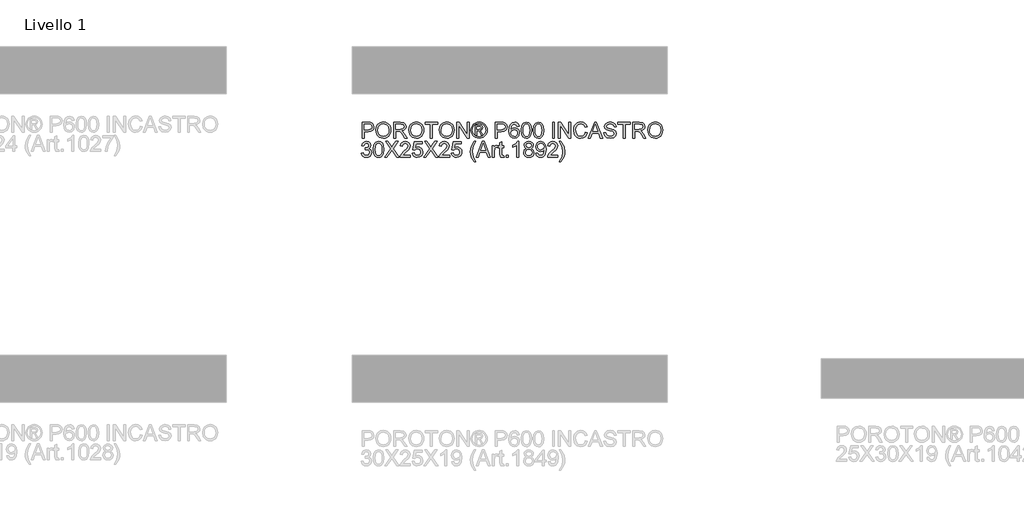
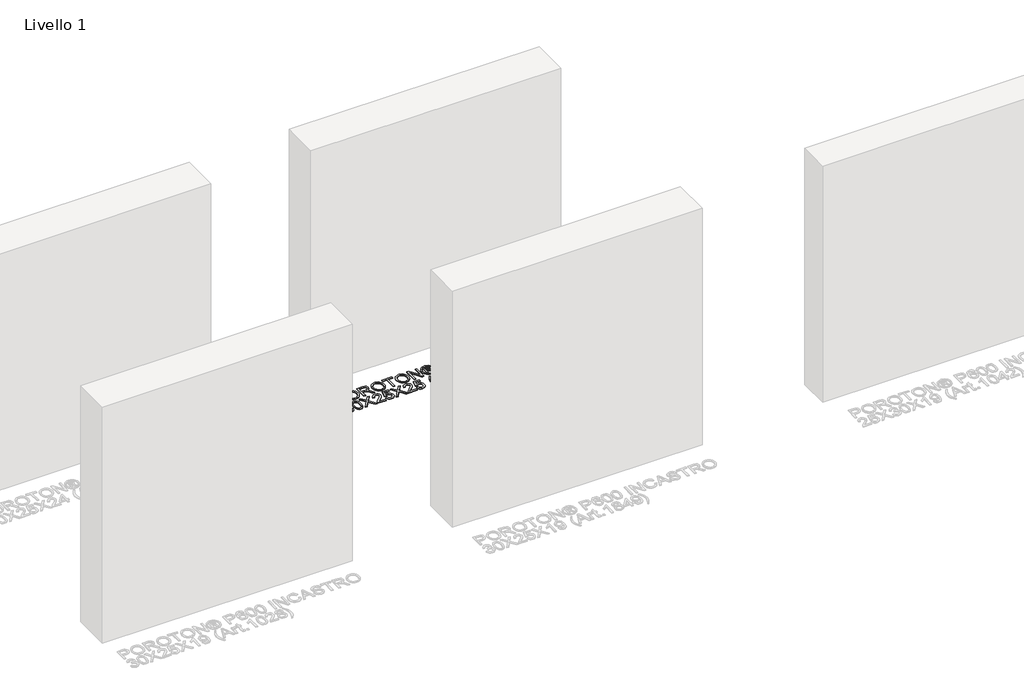
# One storey, part 7 of 11: 1 proxy.
"""IFC4 building model written with IfcOpenShell, lengths in millimetres."""

from ifc_helpers import new_model, si_unit, origin, origin_with_axes, place, context, project, spatial, polyline, outline, extrude, element, save

model = new_model("IFC4")

# Units and contexts
model_context = context("Model", 3, world=origin())
ifc_project = project(units=[si_unit("LENGTHUNIT", "METRE", prefix="MILLI")], contexts=[model_context])

# Site, building, storey
site = spatial("IfcSite", under=ifc_project)
building = spatial("IfcBuilding", under=site)
storey = spatial("IfcBuildingStorey", under=building, Name="Livello 1", Elevation=0.0)

# Proxy
placement = place(None, origin())
element("IfcBuildingElementProxy", 1, Name="100", ObjectType="100", at=placement, inside=storey, context=model_context, shape_type="SweptSolid", body=[
    extrude(outline(polyline([(-2222.4815346, 4403.2318777), (-2222.4815346, 4503.6881878), (-2185.2518767, 4503.6881878), (-2170.2422913, 4502.7316947), (-2158.0408718, 4498.0350679), (-2150.1314089, 4488.3229832), (-2147.139302, 4474.6255102), (-2149.1595873, 4462.7858414), (-2155.2204432, 4452.9204725), (-2166.5542743, 4446.2618084), (-2184.3934854, 4444.0422537), (-2209.9244958, 4444.0422537), (-2209.9244958, 4403.2318777), (-2222.4815346, 4403.2318777)]), holes=[polyline([(-2209.9244958, 4456.5992925), (-2183.6577214, 4456.5992925), (-2165.1655198, 4461.2100801), (-2161.0636355, 4466.7589669), (-2159.6963408, 4474.1840518), (-2162.9214396, 4484.5828496), (-2171.3949882, 4490.2727578), (-2183.952027, 4491.1311491), (-2209.9244958, 4491.1311491), (-2209.9244958, 4456.5992925)])]), origin_with_axes(), (0.0, 0.0, 1.0), 5.0),
    extrude(outline(polyline([(-2134.5822632, 4452.1356576), (-2131.2345371, 4474.3495987), (-2121.1913586, 4491.1556745), (-2105.8568108, 4501.7322819), (-2086.6349765, 4505.2578177), (-2073.4586697, 4503.6023487), (-2061.6435263, 4498.6359418), (-2051.8333398, 4490.7080848), (-2044.6719036, 4480.1682656), (-2040.2941079, 4467.5253877), (-2038.8348426, 4453.2883545), (-2040.3707499, 4438.8612489), (-2044.9784719, 4426.0405614), (-2052.4035569, 4415.4823481), (-2062.391553, 4407.8426654), (-2074.1055289, 4403.2073522), (-2086.7085529, 4401.6622479), (-2100.0871948, 4403.3698334), (-2111.9697833, 4408.4925902), (-2121.7554443, 4416.5676), (-2128.8433041, 4427.1319447), (-2134.5822632, 4452.1356576)]), holes=[polyline([(-2122.0252245, 4452.0130303), (-2119.5144298, 4436.2983377), (-2111.982046, 4424.3237788), (-2100.6604776, 4416.7454097), (-2086.7821293, 4414.2192866), (-2072.701446, 4416.7699351), (-2061.3614835, 4424.4218806), (-2053.8842819, 4436.7643216), (-2051.3918814, 4453.3864564), (-2055.6593125, 4474.1104754), (-2068.1305122, 4487.8324739), (-2086.5614001, 4492.7007789), (-2100.0688007, 4490.3555312), (-2111.5528503, 4483.3197881), (-2119.4071309, 4470.8026032), (-2122.0252245, 4452.0130303)])]), origin_with_axes(), (0.0, 0.0, 1.0), 5.0),
    extrude(outline(polyline([(-2021.5689143, 4403.2318777), (-2021.5689143, 4503.6881878), (-1978.2814662, 4503.6881878), (-1958.1828465, 4500.9781238), (-1947.1954376, 4491.3886665), (-1943.087422, 4476.1951401), (-1944.7888762, 4466.2991144), (-1949.8932389, 4458.0953459), (-1958.5537942, 4452.0804753), (-1970.9238263, 4448.7511432), (-1963.7869156, 4443.3800661), (-1953.6088471, 4430.4551453), (-1936.8579536, 4403.2318777), (-1951.450606, 4403.2318777), (-1964.5226796, 4424.0539986), (-1973.9649841, 4437.8373107), (-1980.5991228, 4444.348822), (-1986.5710738, 4446.740055), (-1993.8551373, 4447.1815134), (-2009.0118755, 4447.1815134), (-2009.0118755, 4403.2318777), (-2021.5689143, 4403.2318777)]), holes=[polyline([(-2009.0118755, 4459.7385522), (-1980.9056911, 4459.7385522), (-1966.570556, 4461.5166485), (-1958.4281012, 4467.2065567), (-1955.6444608, 4475.7291562), (-1960.9542242, 4486.7901415), (-1977.7419059, 4491.1311491), (-2009.0118755, 4491.1311491), (-2009.0118755, 4459.7385522)])]), origin_with_axes(), (0.0, 0.0, 1.0), 5.0),
    extrude(outline(polyline([(-1925.8214937, 4452.1356576), (-1922.4737675, 4474.3495987), (-1912.4305891, 4491.1556745), (-1897.0960412, 4501.7322819), (-1877.874207, 4505.2578177), (-1864.6979002, 4503.6023487), (-1852.8827568, 4498.6359418), (-1843.0725702, 4490.7080848), (-1835.9111341, 4480.1682656), (-1831.5333383, 4467.5253877), (-1830.0740731, 4453.2883545), (-1831.6099804, 4438.8612489), (-1836.2177024, 4426.0405614), (-1843.6427873, 4415.4823481), (-1853.6307835, 4407.8426654), (-1865.3447594, 4403.2073522), (-1877.9477834, 4401.6622479), (-1891.3264253, 4403.3698334), (-1903.2090137, 4408.4925902), (-1912.9946748, 4416.5676), (-1920.0825346, 4427.1319447), (-1925.8214937, 4452.1356576)]), holes=[polyline([(-1913.2644549, 4452.0130303), (-1910.7536603, 4436.2983377), (-1903.2212765, 4424.3237788), (-1891.8997081, 4416.7454097), (-1878.0213598, 4414.2192866), (-1863.9406764, 4416.7699351), (-1852.6007139, 4424.4218806), (-1845.1235124, 4436.7643216), (-1842.6311119, 4453.3864564), (-1846.898543, 4474.1104754), (-1859.3697426, 4487.8324739), (-1877.8006306, 4492.7007789), (-1891.3080312, 4490.3555312), (-1902.7920808, 4483.3197881), (-1910.6463614, 4470.8026032), (-1913.2644549, 4452.0130303)])]), origin_with_axes(), (0.0, 0.0, 1.0), 5.0),
    extrude(outline(polyline([(-1787.6940672, 4403.2318777), (-1787.6940672, 4491.1311491), (-1820.656294, 4491.1311491), (-1820.656294, 4503.6881878), (-1742.1748017, 4503.6881878), (-1742.1748017, 4491.1311491), (-1775.1370285, 4491.1311491), (-1775.1370285, 4403.2318777), (-1787.6940672, 4403.2318777)])), origin_with_axes(), (0.0, 0.0, 1.0), 5.0),
    extrude(outline(polyline([(-1732.7570226, 4452.1356576), (-1729.4092965, 4474.3495987), (-1719.366118, 4491.1556745), (-1704.0315702, 4501.7322819), (-1684.8097359, 4505.2578177), (-1671.6334291, 4503.6023487), (-1659.8182857, 4498.6359418), (-1650.0080992, 4490.7080848), (-1642.846663, 4480.1682656), (-1638.4688673, 4467.5253877), (-1637.009602, 4453.2883545), (-1638.5455093, 4438.8612489), (-1643.1532313, 4426.0405614), (-1650.5783163, 4415.4823481), (-1660.5663124, 4407.8426654), (-1672.2802883, 4403.2073522), (-1684.8833123, 4401.6622479), (-1698.2619542, 4403.3698334), (-1710.1445427, 4408.4925902), (-1719.9302037, 4416.5676), (-1727.0180635, 4427.1319447), (-1732.7570226, 4452.1356576)]), holes=[polyline([(-1720.1999839, 4452.0130303), (-1717.6891892, 4436.2983377), (-1710.1568054, 4424.3237788), (-1698.835237, 4416.7454097), (-1684.9568887, 4414.2192866), (-1670.8762054, 4416.7699351), (-1659.5362429, 4424.4218806), (-1652.0590413, 4436.7643216), (-1649.5666408, 4453.3864564), (-1653.8340719, 4474.1104754), (-1666.3052716, 4487.8324739), (-1684.7361595, 4492.7007789), (-1698.2435601, 4490.3555312), (-1709.7276097, 4483.3197881), (-1717.5818903, 4470.8026032), (-1720.1999839, 4452.0130303)])]), origin_with_axes(), (0.0, 0.0, 1.0), 5.0),
    extrude(outline(polyline([(-1619.7436737, 4403.2318777), (-1619.7436737, 4503.6881878), (-1606.3037182, 4503.6881878), (-1553.8192202, 4424.1030496), (-1553.8192202, 4503.6881878), (-1541.2621814, 4503.6881878), (-1541.2621814, 4403.2318777), (-1554.702137, 4403.2318777), (-1607.1866349, 4482.8415415), (-1607.1866349, 4403.2318777), (-1619.7436737, 4403.2318777)])), origin_with_axes(), (0.0, 0.0, 1.0), 5.0),
    extrude(outline(polyline([(-1478.4524621, 4505.2578177), (-1465.5581982, 4503.5839546), (-1452.9705026, 4498.5623654), (-1441.9125829, 4490.4260419), (-1433.6076469, 4479.4079762), (-1428.4113137, 4466.6853905), (-1426.6792026, 4453.4355073), (-1428.3867882, 4440.3021201), (-1433.509545, 4427.6837676), (-1441.7133135, 4416.7055558), (-1452.6639342, 4408.4925902), (-1465.2730896, 4403.3698334), (-1478.4524621, 4401.6622479), (-1491.6134405, 4403.3698334), (-1504.2164645, 4408.4925902), (-1515.1762823, 4416.7055558), (-1523.4076419, 4427.6837676), (-1528.5579898, 4440.3021201), (-1530.2747725, 4453.4355073), (-1528.5334644, 4466.6853905), (-1523.30954, 4479.4079762), (-1514.9770128, 4490.4260419), (-1503.9098962, 4498.5623654), (-1491.3283319, 4503.5839546), (-1478.4524621, 4505.2578177)]), holes=[polyline([(-1478.4524621, 4495.8400386), (-1499.274583, 4490.3585969), (-1508.3030203, 4483.6968671), (-1515.130297, 4474.6745612), (-1520.8569934, 4453.4355073), (-1515.2406616, 4432.3803945), (-1499.5198377, 4416.6963587), (-1478.4524621, 4411.0800269), (-1457.3728238, 4416.6963587), (-1441.688788, 4432.3803945), (-1436.0969817, 4453.4355073), (-1441.7868899, 4474.6745612), (-1448.5957725, 4483.6968671), (-1457.6426039, 4490.3585969), (-1478.4524621, 4495.8400386)])]), origin_with_axes(), (0.0, 0.0, 1.0), 5.0),
    extrude(outline(polyline([(-1502.0214353, 4422.0674359), (-1502.0214353, 4484.8526297), (-1481.7388746, 4484.8526297), (-1466.6802382, 4483.1235843), (-1459.2612847, 4477.0903196), (-1456.5021697, 4467.9300579), (-1461.2601102, 4456.0106813), (-1473.8661999, 4450.3207731), (-1468.9611066, 4446.9853097), (-1460.4017189, 4434.4527964), (-1453.36291, 4422.0674359), (-1463.9579115, 4422.0674359), (-1469.4761414, 4432.0247752), (-1478.7222422, 4446.4457494), (-1486.7420697, 4448.7511432), (-1492.6036562, 4448.7511432), (-1492.6036562, 4422.0674359), (-1502.0214353, 4422.0674359)]), holes=[polyline([(-1492.6036562, 4458.1689223), (-1480.6842795, 4458.1689223), (-1469.034683, 4460.5601553), (-1465.9199488, 4466.8999883), (-1467.4160022, 4471.4617251), (-1471.5730688, 4474.453832), (-1481.444569, 4475.4348506), (-1492.6036562, 4475.4348506), (-1492.6036562, 4458.1689223)])]), origin_with_axes(), (0.0, 0.0, 1.0), 5.0),
    extrude(outline(polyline([(-1376.4510476, 4403.2318777), (-1376.4510476, 4503.6881878), (-1339.2213897, 4503.6881878), (-1324.2118042, 4502.7316947), (-1312.0103847, 4498.0350679), (-1304.1009218, 4488.3229832), (-1301.108815, 4474.6255102), (-1303.1291002, 4462.7858414), (-1309.1899561, 4452.9204725), (-1320.5237872, 4446.2618084), (-1338.3629983, 4444.0422537), (-1363.8940088, 4444.0422537), (-1363.8940088, 4403.2318777), (-1376.4510476, 4403.2318777)]), holes=[polyline([(-1363.8940088, 4456.5992925), (-1337.6272343, 4456.5992925), (-1319.1350327, 4461.2100801), (-1315.0331485, 4466.7589669), (-1313.6658537, 4474.1840518), (-1316.8909525, 4484.5828496), (-1325.3645012, 4490.2727578), (-1337.9215399, 4491.1311491), (-1363.8940088, 4491.1311491), (-1363.8940088, 4456.5992925)])]), origin_with_axes(), (0.0, 0.0, 1.0), 5.0),
    extrude(outline(polyline([(-1224.1969525, 4477.0044805), (-1236.7539913, 4475.4348506), (-1241.5119317, 4485.9072247), (-1254.093496, 4491.1311491), (-1265.4242614, 4488.0899913), (-1273.9959119, 4476.6733867), (-1277.5643673, 4454.2938986), (-1266.4911192, 4464.3125516), (-1252.7691208, 4467.5867014), (-1241.1685752, 4465.3487526), (-1231.4319651, 4458.6349062), (-1224.8284833, 4448.3771299), (-1222.6273226, 4435.5073914), (-1226.7721265, 4418.1801494), (-1238.1764683, 4405.9174163), (-1254.6330562, 4401.6622479), (-1268.8792865, 4404.4826765), (-1280.2253804, 4412.9439624), (-1287.6473996, 4427.8799714), (-1290.121406, 4450.1245694), (-1287.3745538, 4475.1344137), (-1279.1339971, 4492.2347951), (-1267.8829394, 4500.8248397), (-1253.308681, 4503.6881878), (-1242.2906153, 4501.9162229), (-1233.4675788, 4496.6003281), (-1227.2871613, 4488.1574363), (-1224.1969525, 4477.0044805)]), holes=[polyline([(-1277.5643673, 4435.7035951), (-1274.6580995, 4424.8265508), (-1266.9325776, 4416.9293507), (-1255.6140749, 4414.2192866), (-1247.3275329, 4415.6233696), (-1240.8129559, 4419.8356184), (-1236.59151, 4426.4574943), (-1235.1843614, 4435.0904585), (-1236.5731159, 4443.3770004), (-1240.7393795, 4449.6953737), (-1247.3643211, 4453.6960904), (-1256.1291097, 4455.0296626), (-1271.3226361, 4449.6953737), (-1276.0039345, 4443.5302846), (-1277.5643673, 4435.7035951)])]), origin_with_axes(), (0.0, 0.0, 1.0), 5.0),
    extrude(outline(polyline([(-1211.6399137, 4452.6506924), (-1207.948831, 4481.5539545), (-1196.9859476, 4498.2190089), (-1178.677687, 4503.6881878), (-1164.0114581, 4500.4508263), (-1153.8824405, 4491.1188863), (-1147.9963286, 4476.2564537), (-1145.7154602, 4452.6506924), (-1149.3697547, 4423.8700576), (-1160.2958499, 4407.168215), (-1168.5272096, 4403.0387397), (-1178.677687, 4401.6622479), (-1191.7252351, 4404.0534808), (-1201.6335235, 4411.2271797), (-1209.1383162, 4428.2171965), (-1211.6399137, 4452.6506924)]), holes=[polyline([(-1199.082875, 4452.6752179), (-1197.611347, 4432.9230204), (-1193.196763, 4421.4910874), (-1186.6239381, 4416.0372368), (-1178.677687, 4414.2192866), (-1170.7314359, 4416.0433682), (-1164.1586109, 4421.5156129), (-1159.7440269, 4432.9536772), (-1158.272499, 4452.6752179), (-1159.694976, 4471.9828912), (-1163.9624072, 4483.503729), (-1170.5229694, 4489.2242941), (-1178.8248398, 4491.1311491), (-1186.6852517, 4489.4511546), (-1193.0005593, 4484.4111713), (-1197.562296, 4472.1729636), (-1199.082875, 4452.6752179)])]), origin_with_axes(), (0.0, 0.0, 1.0), 5.0),
    extrude(outline(polyline([(-1134.7280513, 4452.6506924), (-1131.0369686, 4481.5539545), (-1120.0740851, 4498.2190089), (-1101.7658245, 4503.6881878), (-1087.0995956, 4500.4508263), (-1076.970578, 4491.1188863), (-1071.0844661, 4476.2564537), (-1068.8035977, 4452.6506924), (-1072.4578922, 4423.8700576), (-1083.3839875, 4407.168215), (-1091.6153471, 4403.0387397), (-1101.7658245, 4401.6622479), (-1114.8133726, 4404.0534808), (-1124.721661, 4411.2271797), (-1132.2264537, 4428.2171965), (-1134.7280513, 4452.6506924)]), holes=[polyline([(-1122.1710125, 4452.6752179), (-1120.6994845, 4432.9230204), (-1116.2849006, 4421.4910874), (-1109.7120756, 4416.0372368), (-1101.7658245, 4414.2192866), (-1093.8195734, 4416.0433682), (-1087.2467484, 4421.5156129), (-1082.8321645, 4432.9536772), (-1081.3606365, 4452.6752179), (-1082.7831135, 4471.9828912), (-1087.0505447, 4483.503729), (-1093.6111069, 4489.2242941), (-1101.9129773, 4491.1311491), (-1109.7733893, 4489.4511546), (-1116.0886968, 4484.4111713), (-1120.6504336, 4472.1729636), (-1122.1710125, 4452.6752179)])]), origin_with_axes(), (0.0, 0.0, 1.0), 5.0),
    extrude(outline(polyline([(-1012.2969233, 4403.2318777), (-1012.2969233, 4503.6881878), (-999.7398845, 4503.6881878), (-999.7398845, 4403.2318777), (-1012.2969233, 4403.2318777)])), origin_with_axes(), (0.0, 0.0, 1.0), 5.0),
    extrude(outline(polyline([(-974.625807, 4403.2318777), (-974.625807, 4503.6881878), (-961.1858514, 4503.6881878), (-908.7013534, 4424.1030496), (-908.7013534, 4503.6881878), (-896.1443147, 4503.6881878), (-896.1443147, 4403.2318777), (-909.5842702, 4403.2318777), (-962.0687682, 4482.8415415), (-962.0687682, 4403.2318777), (-974.625807, 4403.2318777)])), origin_with_axes(), (0.0, 0.0, 1.0), 5.0),
    extrude(outline(polyline([(-803.5361537, 4438.9409567), (-790.979115, 4435.7035951), (-796.7732564, 4421.0710888), (-805.866073, 4410.3810511), (-817.8099752, 4403.8419487), (-832.157373, 4401.6622479), (-846.7224343, 4403.3115855), (-858.2892574, 4408.2595983), (-867.1552134, 4416.3346081), (-873.6176738, 4427.3649366), (-878.8783864, 4454.2203222), (-877.39153, 4468.868157), (-872.9309608, 4481.5171663), (-865.7296707, 4491.7657455), (-856.0206517, 4499.2122902), (-844.5059453, 4503.7464358), (-831.8875928, 4505.2578177), (-818.1196092, 4503.3019118), (-806.7367271, 4497.4341939), (-798.0945659, 4488.0164149), (-792.5487448, 4475.4103252), (-805.1057836, 4472.4182183), (-815.4064795, 4487.8569993), (-832.3781022, 4492.7007789), (-852.0230007, 4487.3297018), (-863.1207742, 4472.9087276), (-866.3213476, 4454.2448477), (-862.532163, 4432.6133864), (-850.7354137, 4418.7932861), (-833.4081718, 4414.2192866), (-822.9266006, 4415.7766537), (-814.1924689, 4420.4487551), (-807.5981841, 4428.1865397), (-803.5361537, 4438.9409567)])), origin_with_axes(), (0.0, 0.0, 1.0), 5.0),
    extrude(outline(polyline([(-785.4118341, 4403.2318777), (-745.3126966, 4503.6881878), (-734.6195933, 4503.6881878), (-694.5204558, 4403.2318777), (-707.7887331, 4403.2318777), (-719.2911768, 4434.6244746), (-760.6656386, 4434.6244746), (-772.1435568, 4403.2318777), (-785.4118341, 4403.2318777)]), holes=[polyline([(-756.0548509, 4447.1815134), (-723.8774391, 4447.1815134), (-732.9273361, 4471.878658), (-739.966145, 4491.1311491), (-746.2201389, 4474.036899), (-756.0548509, 4447.1815134)])]), origin_with_axes(), (0.0, 0.0, 1.0), 5.0),
    extrude(outline(polyline([(-685.8139153, 4437.7637343), (-673.2568765, 4437.7637343), (-669.2101746, 4425.1944328), (-659.3264116, 4417.2481817), (-644.2677753, 4414.2192866), (-631.1466508, 4416.5124177), (-622.6731022, 4422.8154626), (-619.8894618, 4431.2399603), (-621.9741264, 4439.0758468), (-630.5089887, 4444.7780177), (-648.7927238, 4449.5727464), (-668.4744106, 4455.7654266), (-679.1552512, 4465.1096293), (-682.6746556, 4477.5930917), (-678.3213853, 4491.8055994), (-665.604931, 4501.8365151), (-646.9901021, 4505.2578177), (-627.1244743, 4501.6770996), (-613.8807225, 4491.1556745), (-608.9020528, 4475.4348506), (-621.4590916, 4475.4348506), (-623.7644854, 4482.9273806), (-628.5714768, 4488.3352459), (-646.4995927, 4492.7007789), (-664.4767596, 4488.3842969), (-670.1176168, 4477.9609737), (-666.1199658, 4469.2544331), (-645.6166759, 4462.2401497), (-623.3966034, 4455.9371049), (-611.2442349, 4445.7590363), (-607.332423, 4431.5587913), (-611.8328461, 4416.5369432), (-624.7822923, 4405.5740597), (-643.777266, 4401.6622479), (-666.2058049, 4405.8806281), (-680.3937872, 4418.5848196), (-685.8139153, 4437.7637343)])), origin_with_axes(), (0.0, 0.0, 1.0), 5.0),
    extrude(outline(polyline([(-563.3827873, 4403.2318777), (-563.3827873, 4491.1311491), (-596.3450141, 4491.1311491), (-596.3450141, 4503.6881878), (-517.8635218, 4503.6881878), (-517.8635218, 4491.1311491), (-550.8257485, 4491.1311491), (-550.8257485, 4403.2318777), (-563.3827873, 4403.2318777)])), origin_with_axes(), (0.0, 0.0, 1.0), 5.0),
    extrude(outline(polyline([(-503.7368531, 4403.2318777), (-503.7368531, 4503.6881878), (-460.449405, 4503.6881878), (-440.3507854, 4500.9781238), (-429.3633764, 4491.3886665), (-425.2553608, 4476.1951401), (-426.9568151, 4466.2991144), (-432.0611777, 4458.0953459), (-440.721733, 4452.0804753), (-453.0917651, 4448.7511432), (-445.9548544, 4443.3800661), (-435.7767859, 4430.4551453), (-419.0258924, 4403.2318777), (-433.6185449, 4403.2318777), (-446.6906184, 4424.0539986), (-456.132923, 4437.8373107), (-462.7670616, 4444.348822), (-468.7390127, 4446.740055), (-476.0230762, 4447.1815134), (-491.1798144, 4447.1815134), (-491.1798144, 4403.2318777), (-503.7368531, 4403.2318777)]), holes=[polyline([(-491.1798144, 4459.7385522), (-463.0736299, 4459.7385522), (-448.7384949, 4461.5166485), (-440.59604, 4467.2065567), (-437.8123996, 4475.7291562), (-443.1221631, 4486.7901415), (-459.9098448, 4491.1311491), (-491.1798144, 4491.1311491), (-491.1798144, 4459.7385522)])]), origin_with_axes(), (0.0, 0.0, 1.0), 5.0),
    extrude(outline(polyline([(-407.9894325, 4452.1356576), (-404.6417064, 4474.3495987), (-394.5985279, 4491.1556745), (-379.2639801, 4501.7322819), (-360.0421458, 4505.2578177), (-346.865839, 4503.6023487), (-335.0506956, 4498.6359418), (-325.2405091, 4490.7080848), (-318.0790729, 4480.1682656), (-313.7012772, 4467.5253877), (-312.2420119, 4453.2883545), (-313.7779192, 4438.8612489), (-318.3856412, 4426.0405614), (-325.8107262, 4415.4823481), (-335.7987223, 4407.8426654), (-347.5126982, 4403.2073522), (-360.1157222, 4401.6622479), (-373.4943641, 4403.3698334), (-385.3769526, 4408.4925902), (-395.1626136, 4416.5676), (-402.2504734, 4427.1319447), (-407.9894325, 4452.1356576)]), holes=[polyline([(-395.4323938, 4452.0130303), (-392.9215991, 4436.2983377), (-385.3892153, 4424.3237788), (-374.0676469, 4416.7454097), (-360.1892986, 4414.2192866), (-346.1086153, 4416.7699351), (-334.7686528, 4424.4218806), (-327.2914512, 4436.7643216), (-324.7990507, 4453.3864564), (-329.0664818, 4474.1104754), (-341.5376815, 4487.8324739), (-359.9685694, 4492.7007789), (-373.47597, 4490.3555312), (-384.9600196, 4483.3197881), (-392.8143002, 4470.8026032), (-395.4323938, 4452.0130303)])]), origin_with_axes(), (0.0, 0.0, 1.0), 5.0),
    extrude(outline(polyline([(-2227.1904241, 4307.9407672), (-2214.6333854, 4309.5103971), (-2207.7049411, 4296.2911707), (-2194.7432322, 4292.2444688), (-2186.1347935, 4293.636289), (-2179.4883921, 4297.8117496), (-2173.8230094, 4311.5950617), (-2179.4393412, 4324.5812962), (-2193.7131626, 4329.7193814), (-2202.517805, 4328.3459552), (-2201.1198534, 4340.902994), (-2199.1087652, 4340.7558412), (-2184.8594692, 4344.3610848), (-2180.1137915, 4348.9350842), (-2178.5318989, 4355.4465955), (-2183.1181611, 4365.2690448), (-2194.9394359, 4369.1563312), (-2206.9078635, 4365.2322566), (-2213.0637555, 4353.4600328), (-2225.6207943, 4355.0296626), (-2221.9235802, 4366.3052458), (-2215.3446239, 4374.7236121), (-2206.3437778, 4379.9659305), (-2195.3808943, 4381.71337), (-2180.2364188, 4378.267542), (-2169.6414174, 4368.8497629), (-2165.9748601, 4356.1823595), (-2169.4574764, 4344.6063394), (-2179.7581722, 4336.2922063), (-2166.072962, 4327.7082931), (-2161.2659706, 4311.3743325), (-2163.6694663, 4299.1361248), (-2170.8799534, 4288.9090054), (-2181.7631291, 4281.9928238), (-2195.1846906, 4279.68743), (-2207.3247964, 4281.6555987), (-2217.2085593, 4287.5601047), (-2224.0818213, 4296.5916077), (-2227.1904241, 4307.9407672)])), origin_with_axes(), (0.0, 0.0, 1.0), 5.0),
    extrude(outline(polyline([(-2150.2785617, 4330.6758745), (-2146.587479, 4359.5791366), (-2135.6245955, 4376.244191), (-2117.3163349, 4381.71337), (-2102.650106, 4378.4760084), (-2092.5210884, 4369.1440685), (-2086.6349765, 4354.2816359), (-2084.3541082, 4330.6758745), (-2088.0084026, 4301.8952398), (-2098.9344979, 4285.1933972), (-2107.1658575, 4281.0639218), (-2117.3163349, 4279.68743), (-2130.363883, 4282.078663), (-2140.2721714, 4289.2523619), (-2147.7769641, 4306.2423787), (-2150.2785617, 4330.6758745)]), holes=[polyline([(-2137.7215229, 4330.7004), (-2136.2499949, 4310.9482025), (-2131.835411, 4299.5162695), (-2125.262586, 4294.062419), (-2117.3163349, 4292.2444688), (-2109.3700838, 4294.0685503), (-2102.7972588, 4299.540795), (-2098.3826749, 4310.9788594), (-2096.9111469, 4330.7004), (-2098.333624, 4350.0080734), (-2102.6010551, 4361.5289112), (-2109.1616174, 4367.2494762), (-2117.4634877, 4369.1563312), (-2125.3238997, 4367.4763368), (-2131.6392073, 4362.4363535), (-2136.200944, 4350.1981458), (-2137.7215229, 4330.7004)])]), origin_with_axes(), (0.0, 0.0, 1.0), 5.0),
    extrude(outline(polyline([(-2079.6452186, 4281.2570599), (-2040.9195073, 4335.9979007), (-2073.3666992, 4381.71337), (-2058.3080629, 4381.71337), (-2040.0365905, 4355.9861558), (-2033.8806984, 4345.9552401), (-2026.6702113, 4356.1578341), (-2008.5949426, 4381.71337), (-1993.3155771, 4381.71337), (-2025.7627691, 4335.8507479), (-1987.0370577, 4281.2570599), (-2002.095694, 4281.2570599), (-2027.8964846, 4317.6528519), (-2033.2675618, 4325.2066955), (-2039.1781991, 4316.9170879), (-2064.3658531, 4281.2570599), (-2079.6452186, 4281.2570599)])), origin_with_axes(), (0.0, 0.0, 1.0), 5.0),
    extrude(outline(polyline([(-1914.8340848, 4293.8140986), (-1914.8340848, 4281.2570599), (-1980.7585383, 4281.2570599), (-1979.4096377, 4289.9145495), (-1971.7822176, 4303.2441404), (-1956.0613937, 4317.8000047), (-1934.3808814, 4338.7202275), (-1928.9607534, 4352.944998), (-1934.0743131, 4364.4597044), (-1947.4284295, 4369.1563312), (-1961.3466317, 4364.570069), (-1966.6318697, 4351.8904029), (-1979.1889085, 4353.4600328), (-1976.144685, 4365.60627), (-1969.5626629, 4374.4783574), (-1959.7861989, 4379.9046169), (-1947.1586494, 4381.71337), (-1934.4391294, 4379.7022818), (-1924.6810595, 4373.669017), (-1918.4730508, 4364.6559082), (-1916.4037146, 4353.7052874), (-1918.6355321, 4341.7981735), (-1926.0544856, 4329.4863894), (-1944.0439152, 4312.2817748), (-1958.4894149, 4300.2029826), (-1964.1547976, 4293.8140986), (-1914.8340848, 4293.8140986)])), origin_with_axes(), (0.0, 0.0, 1.0), 5.0),
    extrude(outline(polyline([(-1902.277046, 4307.9407672), (-1889.7200072, 4309.5103971), (-1883.3924369, 4296.5732136), (-1870.2713124, 4292.2444688), (-1861.2704663, 4293.7497193), (-1854.525963, 4298.2654708), (-1850.3137142, 4305.2705571), (-1848.9096312, 4314.2438121), (-1854.1703438, 4329.1552956), (-1860.7768913, 4333.2571799), (-1870.0751087, 4334.6244746), (-1881.0993058, 4332.4417081), (-1888.1503774, 4326.7763254), (-1900.7074162, 4328.3459552), (-1889.7200072, 4380.1437402), (-1841.061482, 4380.1437402), (-1841.061482, 4367.5867014), (-1879.5664642, 4367.5867014), (-1884.9375413, 4339.9219754), (-1875.967352, 4345.3666289), (-1866.567967, 4347.1815134), (-1854.835597, 4344.9313019), (-1845.0959212, 4338.1806672), (-1838.5384247, 4327.8922341), (-1836.3525925, 4315.028627), (-1838.3207611, 4302.4715882), (-1844.2252672, 4291.729434), (-1855.5315072, 4282.697931), (-1870.3203634, 4279.68743), (-1882.6536072, 4281.6218762), (-1892.4791222, 4287.4252146), (-1899.2144284, 4296.4229951), (-1902.277046, 4307.9407672)])), origin_with_axes(), (0.0, 0.0, 1.0), 5.0),
    extrude(outline(polyline([(-1831.6437029, 4281.2570599), (-1792.9179916, 4335.9979007), (-1825.3651835, 4381.71337), (-1810.3065472, 4381.71337), (-1792.0350748, 4355.9861558), (-1785.8791827, 4345.9552401), (-1778.6686956, 4356.1578341), (-1760.5934269, 4381.71337), (-1745.3140614, 4381.71337), (-1777.7612534, 4335.8507479), (-1739.035542, 4281.2570599), (-1754.0941783, 4281.2570599), (-1779.8949689, 4317.6528519), (-1785.2660461, 4325.2066955), (-1791.1766835, 4316.9170879), (-1816.3643374, 4281.2570599), (-1831.6437029, 4281.2570599)])), origin_with_axes(), (0.0, 0.0, 1.0), 5.0),
    extrude(outline(polyline([(-1666.8325691, 4293.8140986), (-1666.8325691, 4281.2570599), (-1732.7570226, 4281.2570599), (-1731.408122, 4289.9145495), (-1723.7807019, 4303.2441404), (-1708.059878, 4317.8000047), (-1686.3793658, 4338.7202275), (-1680.9592377, 4352.944998), (-1686.0727974, 4364.4597044), (-1699.4269139, 4369.1563312), (-1713.345116, 4364.570069), (-1718.630354, 4351.8904029), (-1731.1873928, 4353.4600328), (-1728.1431693, 4365.60627), (-1721.5611472, 4374.4783574), (-1711.7846832, 4379.9046169), (-1699.1571337, 4381.71337), (-1686.4376138, 4379.7022818), (-1676.6795438, 4373.669017), (-1670.4715352, 4364.6559082), (-1668.4021989, 4353.7052874), (-1670.6340164, 4341.7981735), (-1678.0529699, 4329.4863894), (-1696.0423995, 4312.2817748), (-1710.4878992, 4300.2029826), (-1716.1532819, 4293.8140986), (-1666.8325691, 4293.8140986)])), origin_with_axes(), (0.0, 0.0, 1.0), 5.0),
    extrude(outline(polyline([(-1654.2755303, 4307.9407672), (-1641.7184916, 4309.5103971), (-1635.3909212, 4296.5732136), (-1622.2697967, 4292.2444688), (-1613.2689506, 4293.7497193), (-1606.5244473, 4298.2654708), (-1602.3121985, 4305.2705571), (-1600.9081156, 4314.2438121), (-1606.1688281, 4329.1552956), (-1612.7753756, 4333.2571799), (-1622.073593, 4334.6244746), (-1633.0977901, 4332.4417081), (-1640.1488617, 4326.7763254), (-1652.7059005, 4328.3459552), (-1641.7184916, 4380.1437402), (-1593.0599663, 4380.1437402), (-1593.0599663, 4367.5867014), (-1631.5649485, 4367.5867014), (-1636.9360256, 4339.9219754), (-1627.9658363, 4345.3666289), (-1618.5664513, 4347.1815134), (-1606.8340814, 4344.9313019), (-1597.0944055, 4338.1806672), (-1590.536909, 4327.8922341), (-1588.3510768, 4315.028627), (-1590.3192455, 4302.4715882), (-1596.2237515, 4291.729434), (-1607.5299915, 4282.697931), (-1622.3188477, 4279.68743), (-1634.6520916, 4281.6218762), (-1644.4776065, 4287.4252146), (-1651.2129127, 4296.4229951), (-1654.2755303, 4307.9407672)])), origin_with_axes(), (0.0, 0.0, 1.0), 5.0),
    extrude(outline(polyline([(-1509.8695845, 4253.0037226), (-1527.6995985, 4282.4588077), (-1533.1626461, 4299.6388969), (-1534.983662, 4317.4321227), (-1529.5390085, 4347.9663283), (-1509.8695845, 4381.71337), (-1500.4518054, 4381.71337), (-1512.1995038, 4361.8232168), (-1519.2628381, 4342.5462003), (-1522.4266233, 4317.3585463), (-1516.9329188, 4285.1688717), (-1500.4518054, 4253.0037226), (-1509.8695845, 4253.0037226)])), origin_with_axes(), (0.0, 0.0, 1.0), 5.0),
    extrude(outline(polyline([(-1498.0237842, 4281.2570599), (-1457.9246468, 4381.71337), (-1447.2315434, 4381.71337), (-1407.132406, 4281.2570599), (-1420.4006833, 4281.2570599), (-1431.903127, 4312.6496568), (-1473.2775887, 4312.6496568), (-1484.7555069, 4281.2570599), (-1498.0237842, 4281.2570599)]), holes=[polyline([(-1468.666801, 4325.2066955), (-1436.4893892, 4325.2066955), (-1445.5392863, 4349.9038402), (-1452.5780951, 4369.1563312), (-1458.832089, 4352.0620812), (-1468.666801, 4325.2066955)])]), origin_with_axes(), (0.0, 0.0, 1.0), 5.0),
    extrude(outline(polyline([(-1395.2866057, 4281.2570599), (-1395.2866057, 4355.0296626), (-1384.2991968, 4355.0296626), (-1384.2991968, 4344.1158301), (-1376.5000985, 4354.1712713), (-1368.6519493, 4356.5992925), (-1356.0458596, 4352.7242688), (-1360.2397143, 4341.4670797), (-1369.0688822, 4344.0422537), (-1376.1690047, 4341.5651816), (-1380.6939532, 4334.698051), (-1382.7295669, 4320.0318221), (-1382.7295669, 4281.2570599), (-1395.2866057, 4281.2570599)])), origin_with_axes(), (0.0, 0.0, 1.0), 5.0),
    extrude(outline(polyline([(-1321.514003, 4291.729434), (-1319.9443731, 4280.8891779), (-1329.3376267, 4279.68743), (-1339.8590518, 4281.7720946), (-1345.1075016, 4287.2412736), (-1346.6280805, 4301.4905696), (-1346.6280805, 4342.4726239), (-1356.0458596, 4342.4726239), (-1356.0458596, 4355.0296626), (-1346.6280805, 4355.0296626), (-1346.6280805, 4372.9577785), (-1334.0710417, 4380.3399439), (-1334.0710417, 4355.0296626), (-1321.514003, 4355.0296626), (-1321.514003, 4342.4726239), (-1334.0710417, 4342.4726239), (-1334.0710417, 4301.8584516), (-1333.4088541, 4295.3837285), (-1331.2628758, 4293.0905974), (-1326.9831819, 4292.2444688), (-1321.514003, 4291.729434)])), origin_with_axes(), (0.0, 0.0, 1.0), 5.0),
    extrude(outline(polyline([(-1305.8177045, 4281.2570599), (-1305.8177045, 4293.8140986), (-1293.2606657, 4293.8140986), (-1293.2606657, 4281.2570599), (-1305.8177045, 4281.2570599)])), origin_with_axes(), (0.0, 0.0, 1.0), 5.0),
    extrude(outline(polyline([(-1225.7665823, 4281.2570599), (-1238.3236211, 4281.2570599), (-1238.3236211, 4359.5423484), (-1250.2184723, 4351.0687998), (-1263.4376986, 4344.7289668), (-1263.4376986, 4356.5992925), (-1245.0313362, 4368.3469908), (-1233.8599862, 4381.71337), (-1225.7665823, 4381.71337), (-1225.7665823, 4281.2570599)])), origin_with_axes(), (0.0, 0.0, 1.0), 5.0),
    extrude(outline(polyline([(-1177.6476174, 4336.5865119), (-1189.0887474, 4344.3856102), (-1192.8043556, 4356.5257161), (-1190.7810046, 4366.342034), (-1184.7109517, 4374.453832), (-1175.2747785, 4379.8984855), (-1163.1530668, 4381.71337), (-1150.9577786, 4379.8555659), (-1141.3989781, 4374.2821537), (-1135.2185606, 4366.041597), (-1133.1584214, 4356.1823595), (-1136.8249786, 4344.348822), (-1147.9472776, 4336.5865119), (-1134.5931612, 4326.7395372), (-1130.0191617, 4310.4914157), (-1132.2877674, 4298.4862), (-1139.0935843, 4288.5656488), (-1149.6027466, 4281.9069847), (-1162.9813885, 4279.68743), (-1176.3600304, 4281.9161818), (-1186.8691927, 4288.602437), (-1193.6750096, 4298.6180243), (-1195.9436153, 4310.8347723), (-1191.1856748, 4327.4630384), (-1177.6476174, 4336.5865119)]), holes=[polyline([(-1180.2473168, 4356.1578341), (-1175.7959447, 4346.2985966), (-1162.8342357, 4342.4726239), (-1150.1300441, 4346.2740711), (-1145.7154602, 4355.5937483), (-1150.2771969, 4365.2445194), (-1162.9813885, 4369.1563312), (-1175.7223683, 4365.3303585), (-1180.2473168, 4356.1578341)]), polyline([(-1183.3865765, 4311.2762307), (-1181.2896491, 4301.8216634), (-1173.8706956, 4294.7460663), (-1162.8832866, 4292.2444688), (-1154.3361616, 4293.5596469), (-1147.9227522, 4297.5051813), (-1142.5762005, 4310.8838232), (-1148.0944304, 4324.5199825), (-1154.6549927, 4328.5666844), (-1163.3002196, 4329.9155851), (-1171.7277829, 4328.5850785), (-1178.076813, 4324.5935589), (-1183.3865765, 4311.2762307)])]), origin_with_axes(), (0.0, 0.0, 1.0), 5.0),
    extrude(outline(polyline([(-1117.462123, 4306.3711374), (-1104.9050842, 4307.9407672), (-1099.2642269, 4295.9600769), (-1088.5711236, 4292.2444688), (-1078.4053178, 4294.6357017), (-1071.5136618, 4301.0245857), (-1067.4056462, 4311.9384183), (-1065.5907616, 4326.5065453), (-1065.664338, 4328.9590919), (-1075.7075165, 4319.443211), (-1089.4785659, 4315.7889165), (-1100.928893, 4318.0207339), (-1110.4601023, 4324.7161862), (-1116.8888402, 4335.0598016), (-1119.0317528, 4348.2361084), (-1116.784607, 4361.8477423), (-1110.0431694, 4372.5163201), (-1099.9172175, 4379.4141075), (-1087.5165286, 4381.71337), (-1069.6252009, 4376.4649202), (-1057.3134167, 4361.5043857), (-1053.1072993, 4333.3982013), (-1057.301154, 4302.9007839), (-1062.5158813, 4292.9097221), (-1069.7723537, 4285.6225929), (-1078.7578714, 4281.1712207), (-1089.1597348, 4279.68743), (-1099.8957577, 4281.4379352), (-1108.4612768, 4286.6894507), (-1114.451622, 4295.1108827), (-1117.462123, 4306.3711374)]), holes=[polyline([(-1065.664338, 4348.530414), (-1067.0193701, 4357.0407509), (-1071.0844661, 4363.5890504), (-1077.3936423, 4367.764511), (-1085.4809148, 4369.1563312), (-1093.8686243, 4367.6572121), (-1100.5886021, 4363.1598547), (-1105.0031861, 4356.2773957), (-1106.474714, 4347.6229718), (-1105.0828938, 4339.8637274), (-1100.9074332, 4333.7047696), (-1094.3530023, 4329.6856588), (-1085.8242714, 4328.3459552), (-1071.3419835, 4333.7047696), (-1067.0837494, 4340.0905879), (-1065.664338, 4348.530414)])]), origin_with_axes(), (0.0, 0.0, 1.0), 5.0),
    extrude(outline(polyline([(-977.7650667, 4293.8140986), (-977.7650667, 4281.2570599), (-1043.6895202, 4281.2570599), (-1042.3406195, 4289.9145495), (-1034.7131995, 4303.2441404), (-1018.9923756, 4317.8000047), (-997.3118633, 4338.7202275), (-991.8917353, 4352.944998), (-997.005295, 4364.4597044), (-1010.3594114, 4369.1563312), (-1024.2776136, 4364.570069), (-1029.5628516, 4351.8904029), (-1042.1198903, 4353.4600328), (-1039.0756668, 4365.60627), (-1032.4936448, 4374.4783574), (-1022.7171808, 4379.9046169), (-1010.0896313, 4381.71337), (-997.3701113, 4379.7022818), (-987.6120414, 4373.669017), (-981.4040327, 4364.6559082), (-979.3346965, 4353.7052874), (-981.5665139, 4341.7981735), (-988.9854675, 4329.4863894), (-1006.9748971, 4312.2817748), (-1021.4203968, 4300.2029826), (-1027.0857795, 4293.8140986), (-977.7650667, 4293.8140986)])), origin_with_axes(), (0.0, 0.0, 1.0), 5.0),
    extrude(outline(polyline([(-958.9295085, 4253.0037226), (-968.3472876, 4253.0037226), (-951.8661742, 4285.1688717), (-946.3724697, 4317.3585463), (-949.5362549, 4342.3254711), (-956.5260128, 4361.6270131), (-968.3472876, 4381.71337), (-958.9295085, 4381.71337), (-939.2600845, 4347.9663283), (-933.815431, 4317.4321227), (-935.6456439, 4299.6388969), (-941.1362827, 4282.4588077), (-958.9295085, 4253.0037226)])), origin_with_axes(), (0.0, 0.0, 1.0), 5.0),
])

save(model, "model.ifc")
